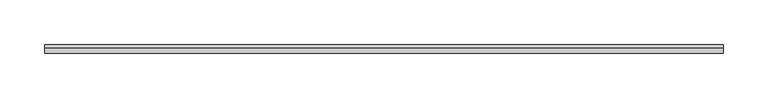
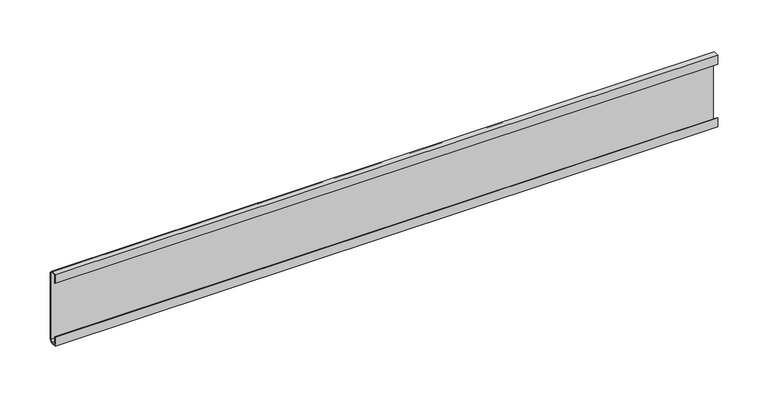
"""IFC4 building model written with IfcOpenShell, lengths in millimetres: furniture geometry."""

from ifc_helpers import new_model, si_unit, frame, origin, place, context, project, spatial, polyline, outline, extrude, source, transform, mapped, element, save


def furniture_24a423c4(model_context):
    return source(origin(), model_context, "Body", "SweptSolid", [
        extrude(outline(polyline([(29.5671875, 104.2233438), (35.9171874, 104.2233438), (39.0921875, 101.0285018), (39.0921875, 20.3835004), (35.917184, 17.2085), (29.5671875, 17.2085), (29.5671875, 28.0035022), (30.3609375, 28.0035022), (30.3609375, 18.0022534), (35.9171874, 18.0022534), (38.2984375, 20.3835035), (38.2984375, 101.0284987), (35.9171874, 103.4295937), (30.3609375, 103.4295937), (30.3609375, 93.4085), (29.5671875, 93.4085), (29.5671875, 104.2233438)])), frame((-379.809375, 0.0, 0.0), z_axis=(1.0, 0.0, 0.0), x_axis=(0.0, 1.0, 0.0)), (0.0, 0.0, 1.0), 759.61875),
    ])


if __name__ == "__main__":
    model = new_model("IFC4")
    model_context = context("Model", 3, world=origin())
    ifc_project = project(units=[si_unit("LENGTHUNIT", "METRE", prefix="MILLI")], contexts=[model_context])
    site = spatial("IfcSite", under=ifc_project)
    building = spatial("IfcBuilding", under=site)
    placement = place(None, origin())
    furniture_shape = furniture_24a423c4(model_context)
    element("IfcFurniture", 1, at=placement, inside=building, context=model_context, shape_type="MappedRepresentation", body=[
        mapped(furniture_shape, transform((0.0, 0.0, 0.0), x_axis=(1.0, 0.0, 0.0), y_axis=(0.0, 1.0, 0.0), z_axis=(0.0, 0.0, 1.0))),
    ])
    save(model, "model.ifc")
